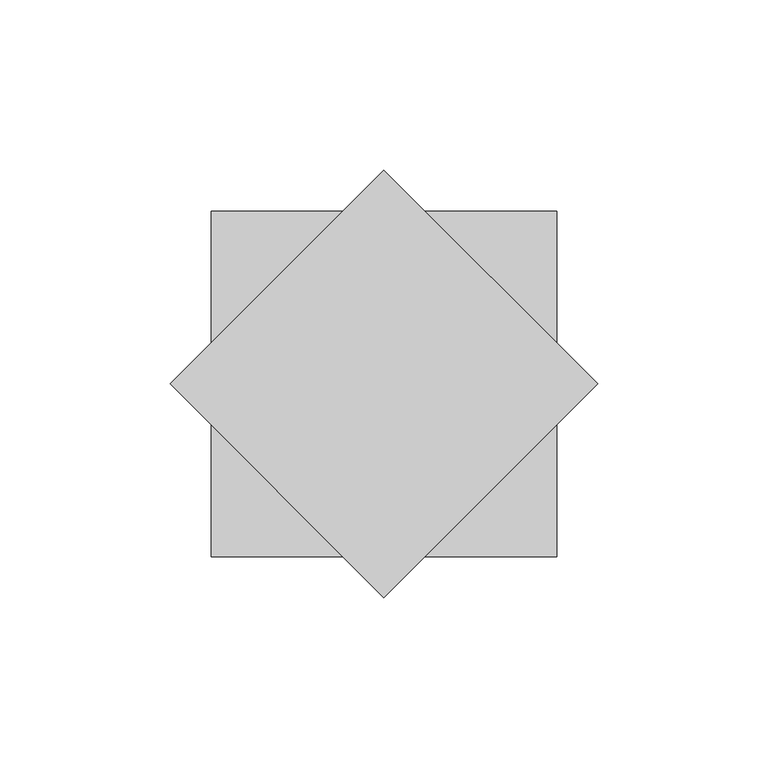
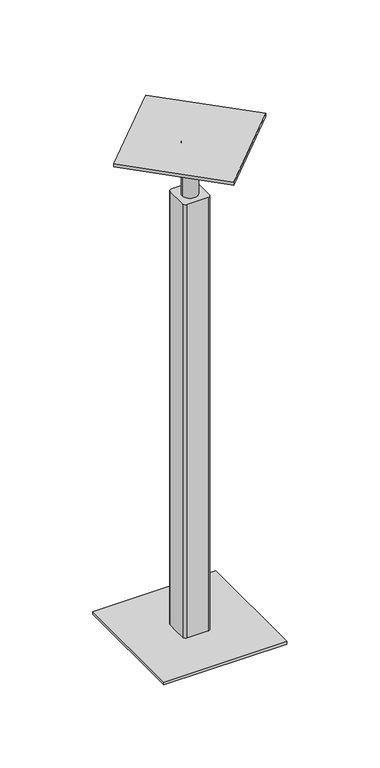
"""IFC4 building model written with IfcOpenShell, lengths in millimetres: proxy geometry."""

from ifc_helpers import new_model, si_unit, frame, origin, place, context, project, spatial, circle_curve, source, transform, mapped, element, save
from ifc_brep_helpers import plane_surface, cylinder_surface, advanced_brep


def generic_models_b791767a(model_context):
    return source(origin(), model_context, "Body", "AdvancedBrep", [
        advanced_brep(
        [(-50.8, -50.8, -454.81875), (50.8, -50.8, -454.81875), (50.8, 50.8, -454.81875), (-50.8, 50.8, -454.81875), (-11.1125, 8.73125, -454.81875), (-8.73125, 11.1125, -454.81875), (0.0, 11.1125, -454.81875), (8.73125, 11.1125, -454.81875), (11.1125, 8.73125, -454.81875), (11.1125, 0.0, -454.81875), (11.1125, -8.73125, -454.81875), (8.73125, -11.1125, -454.81875), (0.0, -11.1125, -454.81875), (-8.73125, -11.1125, -454.81875), (-11.1125, -8.73125, -454.81875), (-11.1125, 0.0, -454.81875), (-50.8, -50.8, -457.2), (-50.8, 50.8, -457.2), (50.8, 50.8, -457.2), (50.8, -50.8, -457.2), (6.35, 0.0, -30.95625), (6.35, 0.0, -76.2), (-6.35, 0.0, -76.2), (-6.35, 0.0, -30.95625), (-62.8617928, 0.0, -30.95625), (0.0, 62.8617928, -30.95625), (62.8617928, 0.0, -30.95625), (0.0, -62.8617928, -30.95625), (-62.8617928, 0.0, -28.575), (0.0, -62.8617928, -28.575), (62.8617928, 0.0, -28.575), (0.0, 62.8617928, -28.575), (8.73125, 11.1125, -76.2), (-8.73125, 11.1125, -76.2), (-11.1125, 8.73125, -76.2), (-11.1125, -8.73125, -76.2), (-8.73125, -11.1125, -76.2), (8.73125, -11.1125, -76.2), (11.1125, -8.73125, -76.2), (11.1125, 8.73125, -76.2)],
        [
            (0, 1),
            (1, 2),
            (2, 3),
            (3, 0),
            (4, 5, circle_curve(frame((-8.73125, 8.73125, -454.81875), z_axis=(0.0, 0.0, -1.0), x_axis=(-1.0, 0.0, 0.0)), 2.38125)),
            (5, 6),
            (6, 7),
            (7, 8, circle_curve(frame((8.73125, 8.73125, -454.81875), z_axis=(0.0, 0.0, -1.0), x_axis=(-1.0, 0.0, 0.0)), 2.38125)),
            (8, 9),
            (9, 10),
            (10, 11, circle_curve(frame((8.73125, -8.73125, -454.81875), z_axis=(0.0, 0.0, -1.0), x_axis=(-1.0, 0.0, 0.0)), 2.38125)),
            (11, 12),
            (12, 13),
            (13, 14, circle_curve(frame((-8.73125, -8.73125, -454.81875), z_axis=(0.0, 0.0, -1.0), x_axis=(-1.0, 0.0, 0.0)), 2.38125)),
            (14, 15),
            (15, 4),
            (16, 17),
            (17, 18),
            (18, 19),
            (19, 16),
            (0, 16),
            (19, 1),
            (18, 2),
            (17, 3),
            (20, 21),
            (21, 22, circle_curve(frame((0.0, 0.0, -76.2), z_axis=(0.0, 0.0, 1.0), x_axis=(1.0, 0.0, 0.0)), 6.35)),
            (22, 23),
            (23, 20, circle_curve(frame((0.0, 0.0, -30.95625), z_axis=(0.0, 0.0, -1.0), x_axis=(1.0, 0.0, 0.0)), 6.35)),
            (20, 23, circle_curve(frame((0.0, 0.0, -30.95625), z_axis=(0.0, 0.0, -1.0), x_axis=(1.0, 0.0, 0.0)), 6.35)),
            (22, 21, circle_curve(frame((0.0, 0.0, -76.2), z_axis=(0.0, 0.0, 1.0), x_axis=(1.0, 0.0, 0.0)), 6.35)),
            (24, 25),
            (25, 26),
            (26, 27),
            (27, 24),
            (28, 29),
            (29, 30),
            (30, 31),
            (31, 28),
            (27, 29),
            (28, 24),
            (26, 30),
            (25, 31),
            (32, 33),
            (33, 34, circle_curve(frame((-8.73125, 8.73125, -76.2), z_axis=(0.0, 0.0, 1.0), x_axis=(-1.0, 0.0, 0.0)), 2.38125)),
            (34, 35),
            (35, 36, circle_curve(frame((-8.73125, -8.73125, -76.2), z_axis=(0.0, 0.0, 1.0), x_axis=(-1.0, 0.0, 0.0)), 2.38125)),
            (36, 37),
            (37, 38, circle_curve(frame((8.73125, -8.73125, -76.2), z_axis=(0.0, 0.0, 1.0), x_axis=(-1.0, 0.0, 0.0)), 2.38125)),
            (38, 39),
            (39, 32, circle_curve(frame((8.73125, 8.73125, -76.2), z_axis=(0.0, 0.0, 1.0), x_axis=(-1.0, 0.0, 0.0)), 2.38125)),
            (32, 7),
            (5, 33),
            (34, 4),
            (14, 35),
            (36, 13),
            (11, 37),
            (38, 10),
            (8, 39),
        ],
        [
            plane_surface(frame((50.8, -50.8, -454.81875), z_axis=(0.0, 0.0, 1.0), x_axis=(1.0, 0.0, 0.0))),
            plane_surface(frame((50.8, -50.8, -457.2), z_axis=(0.0, 0.0, -1.0), x_axis=(-1.0, 0.0, 0.0))),
            plane_surface(frame((-50.8, -50.8, -454.81875), z_axis=(0.0, -1.0, 0.0), x_axis=(0.0, 0.0, -1.0))),
            plane_surface(frame((50.8, -50.8, -454.81875), z_axis=(1.0, 0.0, 0.0), x_axis=(0.0, 0.0, -1.0))),
            plane_surface(frame((50.8, 50.8, -454.81875), z_axis=(0.0, 1.0, 0.0), x_axis=(0.0, 0.0, -1.0))),
            plane_surface(frame((-50.8, 50.8, -454.81875), z_axis=(-1.0, 0.0, 0.0), x_axis=(0.0, 0.0, -1.0))),
            cylinder_surface(frame((0.0, 0.0, 38.1), z_axis=(0.0, 0.0, 1.0), x_axis=(1.0, 0.0, 0.0)), 6.35),
            plane_surface(frame((-62.8617928, 0.0, -30.95625), z_axis=(0.0, 0.0, -1.0000000000000002), x_axis=(-0.7071067811858168, 0.7071067811872783, 0.0))),
            plane_surface(frame((-62.8617928, 0.0, -28.575), z_axis=(0.0, 0.0, 1.0000000000000002), x_axis=(0.7071067811858168, -0.7071067811872783, 0.0))),
            plane_surface(frame((-62.8617928, 0.0, -28.575), z_axis=(-0.7071067811872783, -0.7071067811858168, 0.0), x_axis=(0.0, 0.0, -1.0))),
            plane_surface(frame((0.0, -62.8617928, -28.575), z_axis=(0.7071067811863134, -0.7071067811867816, 0.0), x_axis=(0.0, 0.0, -1.0))),
            plane_surface(frame((62.8617928, 0.0, -28.575), z_axis=(0.7071067811858158, 0.7071067811872793, 0.0), x_axis=(0.0, 0.0, -1.0))),
            plane_surface(frame((0.0, 62.8617928, -28.575), z_axis=(-0.7071067811867853, 0.7071067811863098, 0.0), x_axis=(0.0, 0.0, -1.0))),
            plane_surface(frame((-11.1125, 11.1125, -76.2), z_axis=(0.0, 0.0, 1.0), x_axis=(-1.0, 0.0, 0.0))),
            plane_surface(frame((8.73125, 11.1125, -76.2), z_axis=(0.0, 1.0, 0.0), x_axis=(0.0, 0.0, -1.0))),
            plane_surface(frame((-11.1125, 8.73125, -76.2), z_axis=(-1.0, 0.0, 0.0), x_axis=(0.0, 0.0, -1.0))),
            plane_surface(frame((-8.73125, -11.1125, -76.2), z_axis=(0.0, -1.0, 0.0), x_axis=(0.0, 0.0, -1.0))),
            plane_surface(frame((11.1125, -8.73125, -76.2), z_axis=(1.0, 0.0, 0.0), x_axis=(0.0, 0.0, -1.0))),
            cylinder_surface(frame((-8.73125, 8.73125, -457.2), z_axis=(0.0, 0.0, 1.0), x_axis=(-1.0, 0.0, 0.0)), 2.38125),
            cylinder_surface(frame((-8.73125, -8.73125, -457.2), z_axis=(0.0, 0.0, 1.0), x_axis=(-1.0, 0.0, 0.0)), 2.38125),
            cylinder_surface(frame((8.73125, -8.73125, -457.2), z_axis=(0.0, 0.0, 1.0), x_axis=(-1.0, 0.0, 0.0)), 2.38125),
            cylinder_surface(frame((8.73125, 8.73125, -457.2), z_axis=(0.0, 0.0, 1.0), x_axis=(-1.0, 0.0, 0.0)), 2.38125),
        ],
        [
            (0, [[1, 2, 3, 4], [5, 6, 7, 8, 9, 10, 11, 12, 13, 14, 15, 16]]),
            (1, [[17, 18, 19, 20]]),
            (2, [[-1, 21, -20, 22]]),
            (3, [[-2, -22, -19, 23]]),
            (4, [[-3, -23, -18, 24]]),
            (5, [[-4, -24, -17, -21]]),
            (6, [[25, 26, 27, 28]]),
            (6, [[-25, 29, -27, 30]]),
            (7, [[31, 32, 33, 34], [-28, -29]]),
            (8, [[35, 36, 37, 38]]),
            (9, [[-34, 39, -35, 40]]),
            (10, [[-33, 41, -36, -39]]),
            (11, [[-32, 42, -37, -41]]),
            (12, [[-31, -40, -38, -42]]),
            (13, [[43, 44, 45, 46, 47, 48, 49, 50], [-26, -30]]),
            (14, [[-43, 51, -7, -6, 52]]),
            (15, [[-45, 53, -16, -15, 54]]),
            (16, [[-47, 55, -13, -12, 56]]),
            (17, [[-49, 57, -10, -9, 58]]),
            (18, [[-44, -52, -5, -53]]),
            (19, [[-46, -54, -14, -55]]),
            (20, [[-48, -56, -11, -57]]),
            (21, [[-50, -58, -8, -51]]),
        ],
    ),
    ])


if __name__ == "__main__":
    model = new_model("IFC4")
    model_context = context("Model", 3, world=origin())
    ifc_project = project(units=[si_unit("LENGTHUNIT", "METRE", prefix="MILLI")], contexts=[model_context])
    site = spatial("IfcSite", under=ifc_project)
    building = spatial("IfcBuilding", under=site)
    placement = place(None, origin())
    generic_models_shape = generic_models_b791767a(model_context)
    element("IfcBuildingElementProxy", 1, Name="Generic Models", at=placement, inside=building, context=model_context, shape_type="MappedRepresentation", body=[
        mapped(generic_models_shape, transform((0.0, 0.0, 0.0), x_axis=(1.0, 0.0, 0.0), y_axis=(0.0, 1.0, 0.0), z_axis=(0.0, 0.0, 1.0))),
    ])
    save(model, "model.ifc")
